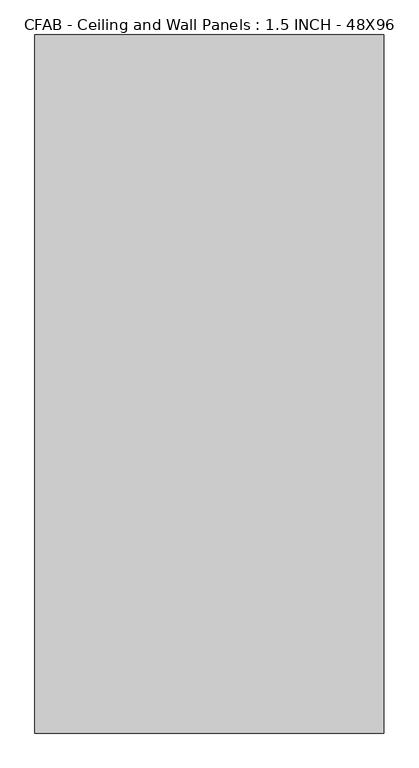
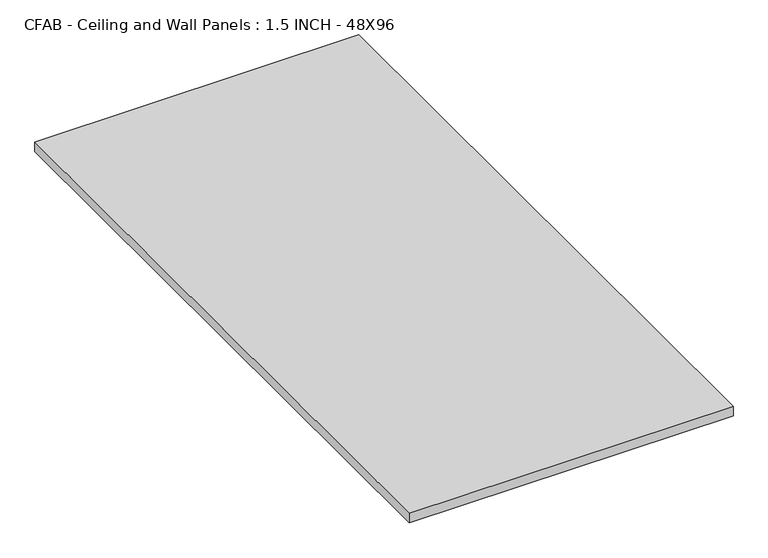
"""IFC4 building model written with IfcOpenShell, lengths in millimetres: proxy geometry, CFAB - Ceiling and Wall Panels : 1.5 INCH - 48X96."""

from ifc_helpers import new_model, si_unit, origin, origin_with_axes, place, context, project, spatial, polyline, outline, extrude, source, transform, mapped, element, save


def cfab_ceiling_and_wall_panels_1_5_inch_48x96_f4de0762(model_context):
    return source(origin(), model_context, "Body", "SweptSolid", [
        extrude(outline(polyline([(-609.6, 1219.2), (609.6, 1219.2), (609.6, -1219.2), (-609.6, -1219.2), (-609.6, 1219.2)])), origin_with_axes(), (0.0, 0.0, 1.0), 38.1),
    ])


if __name__ == "__main__":
    model = new_model("IFC4")
    model_context = context("Model", 3, world=origin())
    ifc_project = project(units=[si_unit("LENGTHUNIT", "METRE", prefix="MILLI")], contexts=[model_context])
    site = spatial("IfcSite", under=ifc_project)
    building = spatial("IfcBuilding", under=site)
    placement = place(None, origin())
    cfab_ceiling_and_wall_panels_1_5_inch_48x96_shape = cfab_ceiling_and_wall_panels_1_5_inch_48x96_f4de0762(model_context)
    element("IfcBuildingElementProxy", 1, Name="CFAB - Ceiling and Wall Panels : 1.5 INCH - 48X96", ObjectType="CFAB - Ceiling and Wall Panels : 1.5 INCH - 48X96", at=placement, inside=building, context=model_context, shape_type="MappedRepresentation", body=[
        mapped(cfab_ceiling_and_wall_panels_1_5_inch_48x96_shape, transform((0.0, 0.0, 0.0), x_axis=(1.0, 0.0, 0.0), y_axis=(0.0, 1.0, 0.0), z_axis=(0.0, 0.0, 1.0))),
    ])
    save(model, "model.ifc")
